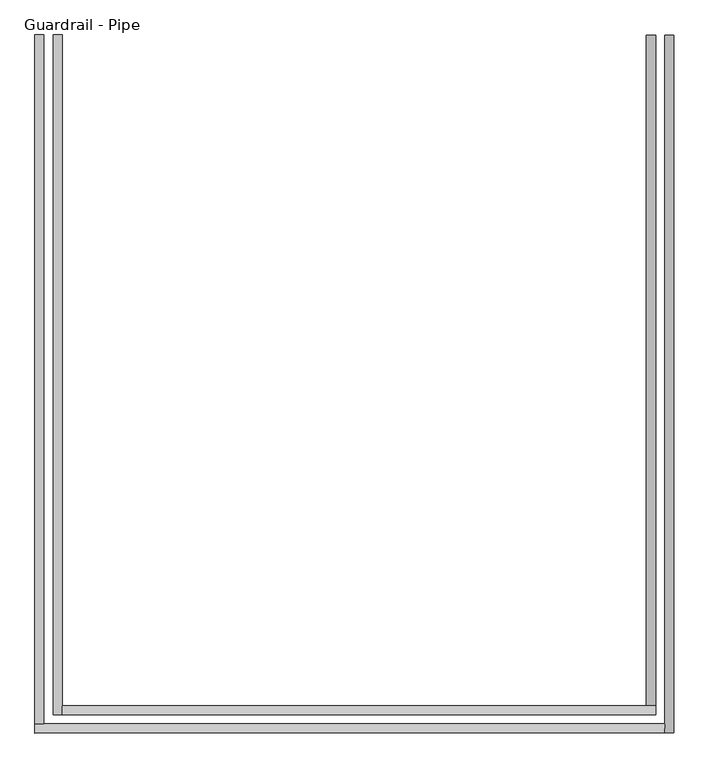
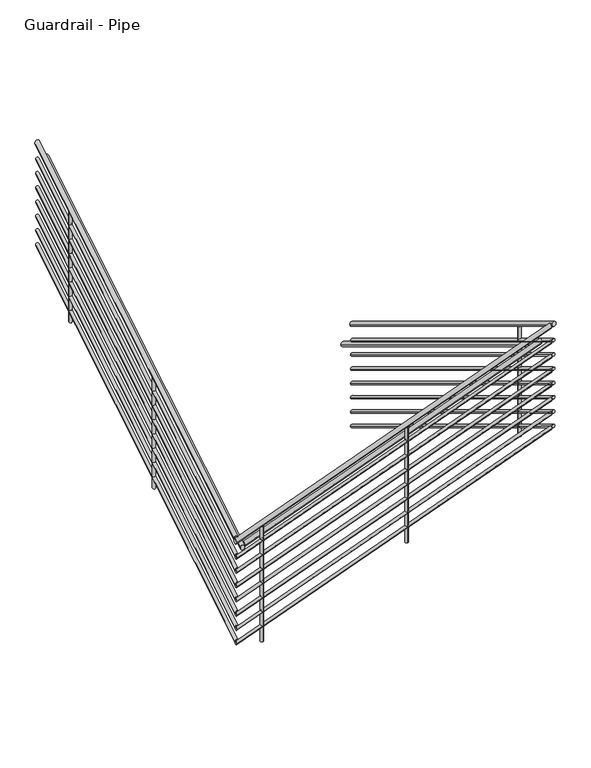
"""IFC4 building model written with IfcOpenShell, lengths in millimetres: railing geometry, Guardrail - Pipe."""

from ifc_helpers import new_model, si_unit, frame, origin, place, context, project, spatial, circle_curve, ellipse_curve, source, transform, mapped, element, save
from ifc_brep_helpers import plane_surface, cylinder_surface, advanced_brep


def guardrail_pipe_4b8cf3cc(model_context):
    return source(origin(), model_context, "Body", "AdvancedBrep", [
        advanced_brep(
        [(18432.5414619, 297.9226057, 1213.8577857), (18470.6414619, 297.9226057, 1213.8577857), (18432.5414619, -2642.1273943, 2995.7062706), (18470.6414619, -2642.1273943, 2995.7062706)],
        [
            (0, 1, ellipse_curve(frame((18451.5914619, 297.9226057, 1213.8577857), z_axis=(0.0, 1.0, 0.0), x_axis=(0.0, 0.0, -1.0)), 22.2755476, 19.05)),
            (1, 0, ellipse_curve(frame((18451.5914619, 297.9226057, 1213.8577857), z_axis=(0.0, 1.0, 0.0), x_axis=(0.0, 0.0, -1.0)), 22.2755476, 19.05)),
            (2, 3, ellipse_curve(frame((18451.5914619, -2642.1273943, 2995.7062706), z_axis=(0.0, -1.0, 0.0), x_axis=(0.0, 0.0, -1.0)), 22.2755476, 19.05)),
            (3, 2, ellipse_curve(frame((18451.5914619, -2642.1273943, 2995.7062706), z_axis=(0.0, -1.0, 0.0), x_axis=(0.0, 0.0, -1.0)), 22.2755476, 19.05)),
            (0, 2),
            (3, 1),
        ],
        [
            plane_surface(frame((18451.5914619, 297.9226057, 1236.1333333), z_axis=(0.0, 1.0, 0.0), x_axis=(0.0, 0.0, -1.0))),
            plane_surface(frame((18451.5914619, -2642.1273943, 3017.9818182), z_axis=(0.0, -1.0, 0.0), x_axis=(0.0, 0.0, -1.0))),
            cylinder_surface(frame((18451.5914619, 288.048958, 1219.8418146), z_axis=(0.0, 0.8551978315540538, -0.518301716093285), x_axis=(1.0, 0.0, 0.0)), 19.05),
        ],
        [
            (0, [[1, 2]]),
            (1, [[3, 4]]),
            (2, [[-1, 5, -4, 6]]),
            (2, [[-2, -6, -3, -5]]),
        ],
    ),
        advanced_brep(
        [(18432.5414619, -2604.0273943, 2973.0789657), (18432.5414619, -2642.1273943, 2973.0789657), (15780.4647518, -2604.0273943, 1984.3213288), (15780.4647518, -2642.1273943, 1984.3213288)],
        [
            (0, 1, ellipse_curve(frame((18432.5414619, -2623.0773943, 2973.0789657), z_axis=(1.0, 0.0, 0.0), x_axis=(0.0, 0.0, 1.0)), 20.3308904, 19.05)),
            (1, 0, ellipse_curve(frame((18432.5414619, -2623.0773943, 2973.0789657), z_axis=(1.0, 0.0, 0.0), x_axis=(0.0, 0.0, 1.0)), 20.3308904, 19.05)),
            (2, 3, ellipse_curve(frame((15780.4647518, -2623.0773943, 1984.3213288), z_axis=(-1.0, 0.0, 0.0), x_axis=(0.0, 0.0, 1.0)), 20.3308904, 19.05)),
            (3, 2, ellipse_curve(frame((15780.4647518, -2623.0773943, 1984.3213288), z_axis=(-1.0, 0.0, 0.0), x_axis=(0.0, 0.0, 1.0)), 20.3308904, 19.05)),
            (0, 2),
            (3, 1),
        ],
        [
            plane_surface(frame((18432.5414619, -2623.0773943, 2993.4098561), z_axis=(1.0, 0.0, 0.0), x_axis=(0.0, -1.0, 0.0))),
            plane_surface(frame((15780.4647518, -2623.0773943, 2004.6522192), z_axis=(-1.0, 0.0, 0.0), x_axis=(0.0, -1.0, 0.0))),
            cylinder_surface(frame((18439.1962975, -2623.0773943, 2975.5600476), z_axis=(0.9369978212740282, 0.0, 0.34933520138646845), x_axis=(0.0, -1.0, 0.0)), 19.05),
        ],
        [
            (0, [[1, 2]]),
            (1, [[3, 4]]),
            (2, [[-1, 5, -4, 6]]),
            (2, [[-2, -6, -3, -5]]),
        ],
    ),
        advanced_brep(
        [(15818.5647518, -2604.0273943, 1995.10021), (15780.4647518, -2604.0273943, 1995.10021), (15818.5647518, 297.9226057, 3753.8577857), (15780.4647518, 297.9226057, 3753.8577857)],
        [
            (0, 1, ellipse_curve(frame((15799.5147518, -2604.0273943, 1995.10021), z_axis=(0.0, -1.0, 0.0), x_axis=(0.0, 0.0, -1.0)), 22.2755476, 19.05)),
            (1, 0, ellipse_curve(frame((15799.5147518, -2604.0273943, 1995.10021), z_axis=(0.0, -1.0, 0.0), x_axis=(0.0, 0.0, -1.0)), 22.2755476, 19.05)),
            (2, 3, ellipse_curve(frame((15799.5147518, 297.9226057, 3753.8577857), z_axis=(0.0, 1.0, 0.0), x_axis=(0.0, 0.0, -1.0)), 22.2755476, 19.05)),
            (3, 2, ellipse_curve(frame((15799.5147518, 297.9226057, 3753.8577857), z_axis=(0.0, 1.0, 0.0), x_axis=(0.0, 0.0, -1.0)), 22.2755476, 19.05)),
            (0, 2),
            (3, 1),
        ],
        [
            plane_surface(frame((15799.5147518, -2604.0273943, 2017.3757576), z_axis=(0.0, -1.0, 0.0), x_axis=(0.0, 0.0, 1.0))),
            plane_surface(frame((15799.5147518, 297.9226057, 3776.1333333), z_axis=(0.0, 1.0, 0.0), x_axis=(0.0, 0.0, 1.0))),
            cylinder_surface(frame((15799.5147518, -2594.1537466, 2001.0842389), z_axis=(0.0, -0.8551978315540538, -0.518301716093285), x_axis=(-1.0, 0.0, 0.0)), 19.05),
        ],
        [
            (0, [[1, 2]]),
            (1, [[3, 4]]),
            (2, [[-1, 5, -4, 6]]),
            (2, [[-2, -6, -3, -5]]),
        ],
    ),
        advanced_brep(
        [(18438.8914619, 297.9226057, 1068.8829683), (18464.2914619, 297.9226057, 1068.8829683), (18438.8914619, -2635.7773943, 2846.8829683), (18464.2914619, -2635.7773943, 2846.8829683)],
        [
            (0, 1, ellipse_curve(frame((18451.5914619, 297.9226057, 1068.8829683), z_axis=(0.0, 1.0, 0.0), x_axis=(0.0, 0.0, -1.0)), 14.8503651, 12.7)),
            (1, 0, ellipse_curve(frame((18451.5914619, 297.9226057, 1068.8829683), z_axis=(0.0, 1.0, 0.0), x_axis=(0.0, 0.0, -1.0)), 14.8503651, 12.7)),
            (2, 3, ellipse_curve(frame((18451.5914619, -2635.7773943, 2846.8829683), z_axis=(0.0, -1.0, 0.0), x_axis=(0.0, 0.0, -1.0)), 14.8503651, 12.7)),
            (3, 2, ellipse_curve(frame((18451.5914619, -2635.7773943, 2846.8829683), z_axis=(0.0, -1.0, 0.0), x_axis=(0.0, 0.0, -1.0)), 14.8503651, 12.7)),
            (0, 2),
            (3, 1),
        ],
        [
            plane_surface(frame((18451.5914619, 297.9226057, 1083.7333333), z_axis=(0.0, 1.0, 0.0), x_axis=(0.0, 0.0, -1.0))),
            plane_surface(frame((18451.5914619, -2635.7773943, 2861.7333333), z_axis=(0.0, -1.0, 0.0), x_axis=(0.0, 0.0, -1.0))),
            cylinder_surface(frame((18451.5914619, 291.3401739, 1072.8723209), z_axis=(0.0, 0.8551978315540538, -0.518301716093285), x_axis=(1.0, 0.0, 0.0)), 12.7),
        ],
        [
            (0, [[1, 2]]),
            (1, [[3, 4]]),
            (2, [[-1, 5, -4, 6]]),
            (2, [[-2, -6, -3, -5]]),
        ],
    ),
        advanced_brep(
        [(18438.8914619, -2610.3773943, 2829.8233611), (18438.8914619, -2635.7773943, 2829.8233611), (15786.8147518, -2610.3773943, 1841.0657241), (15786.8147518, -2635.7773943, 1841.0657241)],
        [
            (0, 1, ellipse_curve(frame((18438.8914619, -2623.0773943, 2829.8233611), z_axis=(1.0, 0.0, 0.0), x_axis=(0.0, 0.0, 1.0)), 13.5539269, 12.7)),
            (1, 0, ellipse_curve(frame((18438.8914619, -2623.0773943, 2829.8233611), z_axis=(1.0, 0.0, 0.0), x_axis=(0.0, 0.0, 1.0)), 13.5539269, 12.7)),
            (2, 3, ellipse_curve(frame((15786.8147518, -2623.0773943, 1841.0657241), z_axis=(-1.0, 0.0, 0.0), x_axis=(0.0, 0.0, 1.0)), 13.5539269, 12.7)),
            (3, 2, ellipse_curve(frame((15786.8147518, -2623.0773943, 1841.0657241), z_axis=(-1.0, 0.0, 0.0), x_axis=(0.0, 0.0, 1.0)), 13.5539269, 12.7)),
            (0, 2),
            (3, 1),
        ],
        [
            plane_surface(frame((18438.8914619, -2623.0773943, 2843.377288), z_axis=(1.0, 0.0, 0.0), x_axis=(0.0, -1.0, 0.0))),
            plane_surface(frame((15786.8147518, -2623.0773943, 1854.619651), z_axis=(-1.0, 0.0, 0.0), x_axis=(0.0, -1.0, 0.0))),
            cylinder_surface(frame((18443.328019, -2623.0773943, 2831.4774157), z_axis=(0.9369978212740282, 0.0, 0.34933520138646845), x_axis=(0.0, -1.0, 0.0)), 12.7),
        ],
        [
            (0, [[1, 2]]),
            (1, [[3, 4]]),
            (2, [[-1, 5, -4, 6]]),
            (2, [[-2, -6, -3, -5]]),
        ],
    ),
        advanced_brep(
        [(15812.2147518, -2610.3773943, 1846.2769077), (15786.8147518, -2610.3773943, 1846.2769077), (15812.2147518, 297.9226057, 3608.8829683), (15786.8147518, 297.9226057, 3608.8829683)],
        [
            (0, 1, ellipse_curve(frame((15799.5147518, -2610.3773943, 1846.2769077), z_axis=(0.0, -1.0, 0.0), x_axis=(0.0, 0.0, -1.0)), 14.8503651, 12.7)),
            (1, 0, ellipse_curve(frame((15799.5147518, -2610.3773943, 1846.2769077), z_axis=(0.0, -1.0, 0.0), x_axis=(0.0, 0.0, -1.0)), 14.8503651, 12.7)),
            (2, 3, ellipse_curve(frame((15799.5147518, 297.9226057, 3608.8829683), z_axis=(0.0, 1.0, 0.0), x_axis=(0.0, 0.0, -1.0)), 14.8503651, 12.7)),
            (3, 2, ellipse_curve(frame((15799.5147518, 297.9226057, 3608.8829683), z_axis=(0.0, 1.0, 0.0), x_axis=(0.0, 0.0, -1.0)), 14.8503651, 12.7)),
            (0, 2),
            (3, 1),
        ],
        [
            plane_surface(frame((15799.5147518, -2610.3773943, 1861.1272727), z_axis=(0.0, -1.0, 0.0), x_axis=(0.0, 0.0, 1.0))),
            plane_surface(frame((15799.5147518, 297.9226057, 3623.7333333), z_axis=(0.0, 1.0, 0.0), x_axis=(0.0, 0.0, 1.0))),
            cylinder_surface(frame((15799.5147518, -2603.7949625, 1850.2662603), z_axis=(0.0, -0.8551978315540538, -0.518301716093285), x_axis=(-1.0, 0.0, 0.0)), 12.7),
        ],
        [
            (0, [[1, 2]]),
            (1, [[3, 4]]),
            (2, [[-1, 5, -4, 6]]),
            (2, [[-2, -6, -3, -5]]),
        ],
    ),
        advanced_brep(
        [(18356.3414619, 297.9226057, 1061.4577857), (18394.4414619, 297.9226057, 1061.4577857), (18356.3414619, -2527.8273943, 2774.0335433), (18394.4414619, -2527.8273943, 2774.0335433)],
        [
            (0, 1, ellipse_curve(frame((18375.3914619, 297.9226057, 1061.4577857), z_axis=(0.0, 1.0, 0.0), x_axis=(0.0, 0.0, -1.0)), 22.2755476, 19.05)),
            (1, 0, ellipse_curve(frame((18375.3914619, 297.9226057, 1061.4577857), z_axis=(0.0, 1.0, 0.0), x_axis=(0.0, 0.0, -1.0)), 22.2755476, 19.05)),
            (2, 3, ellipse_curve(frame((18375.3914619, -2527.8273943, 2774.0335433), z_axis=(0.0, -1.0, 0.0), x_axis=(0.0, 0.0, -1.0)), 22.2755476, 19.05)),
            (3, 2, ellipse_curve(frame((18375.3914619, -2527.8273943, 2774.0335433), z_axis=(0.0, -1.0, 0.0), x_axis=(0.0, 0.0, -1.0)), 22.2755476, 19.05)),
            (0, 2),
            (3, 1),
        ],
        [
            plane_surface(frame((18375.3914619, 297.9226057, 1083.7333333), z_axis=(0.0, 1.0, 0.0), x_axis=(0.0, 0.0, -1.0))),
            plane_surface(frame((18375.3914619, -2527.8273943, 2796.3090909), z_axis=(0.0, -1.0, 0.0), x_axis=(0.0, 0.0, -1.0))),
            cylinder_surface(frame((18375.3914619, 288.048958, 1067.4418146), z_axis=(0.0, 0.8551978315540539, -0.5183017160932847), x_axis=(1.0, 0.0, 0.0)), 19.05),
        ],
        [
            (0, [[1, 2]]),
            (1, [[3, 4]]),
            (2, [[-1, 5, -4, 6]]),
            (2, [[-2, -6, -3, -5]]),
        ],
    ),
        advanced_brep(
        [(18394.4414619, -2527.8273943, 2806.4743744), (18394.4414619, -2565.9273943, 2806.4743744), (15894.7647518, -2527.8273943, 1874.5351029), (15894.7647518, -2565.9273943, 1874.5351029)],
        [
            (0, 1, ellipse_curve(frame((18394.4414619, -2546.8773943, 2806.4743744), z_axis=(1.0, 0.0, 0.0), x_axis=(0.0, 0.0, 1.0)), 20.3308904, 19.05)),
            (1, 0, ellipse_curve(frame((18394.4414619, -2546.8773943, 2806.4743744), z_axis=(1.0, 0.0, 0.0), x_axis=(0.0, 0.0, 1.0)), 20.3308904, 19.05)),
            (2, 3, ellipse_curve(frame((15894.7647518, -2546.8773943, 1874.5351029), z_axis=(-1.0, 0.0, 0.0), x_axis=(0.0, 0.0, 1.0)), 20.3308904, 19.05)),
            (3, 2, ellipse_curve(frame((15894.7647518, -2546.8773943, 1874.5351029), z_axis=(-1.0, 0.0, 0.0), x_axis=(0.0, 0.0, 1.0)), 20.3308904, 19.05)),
            (0, 2),
            (3, 1),
        ],
        [
            plane_surface(frame((18394.4414619, -2546.8773943, 2826.8052648), z_axis=(1.0, 0.0, 0.0), x_axis=(0.0, -1.0, 0.0))),
            plane_surface(frame((15894.7647518, -2546.8773943, 1894.8659933), z_axis=(-1.0, 0.0, 0.0), x_axis=(0.0, -1.0, 0.0))),
            cylinder_surface(frame((18401.0962975, -2546.8773943, 2808.9554563), z_axis=(0.9369978212740282, 0.0, 0.34933520138646845), x_axis=(0.0, -1.0, 0.0)), 19.05),
        ],
        [
            (0, [[1, 2]]),
            (1, [[3, 4]]),
            (2, [[-1, 5, -4, 6]]),
            (2, [[-2, -6, -3, -5]]),
        ],
    ),
        advanced_brep(
        [(15894.7647518, -2565.9273943, 1865.7911191), (15856.6647518, -2565.9273943, 1865.7911191), (15894.7647518, 297.9226057, 3601.4577857), (15856.6647518, 297.9226057, 3601.4577857)],
        [
            (0, 1, ellipse_curve(frame((15875.7147518, -2565.9273943, 1865.7911191), z_axis=(0.0, -1.0, 0.0), x_axis=(0.0, 0.0, -1.0)), 22.2755476, 19.05)),
            (1, 0, ellipse_curve(frame((15875.7147518, -2565.9273943, 1865.7911191), z_axis=(0.0, -1.0, 0.0), x_axis=(0.0, 0.0, -1.0)), 22.2755476, 19.05)),
            (2, 3, ellipse_curve(frame((15875.7147518, 297.9226057, 3601.4577857), z_axis=(0.0, 1.0, 0.0), x_axis=(0.0, 0.0, -1.0)), 22.2755476, 19.05)),
            (3, 2, ellipse_curve(frame((15875.7147518, 297.9226057, 3601.4577857), z_axis=(0.0, 1.0, 0.0), x_axis=(0.0, 0.0, -1.0)), 22.2755476, 19.05)),
            (0, 2),
            (3, 1),
        ],
        [
            plane_surface(frame((15875.7147518, -2565.9273943, 1888.0666667), z_axis=(0.0, -1.0, 0.0), x_axis=(0.0, 0.0, 1.0))),
            plane_surface(frame((15875.7147518, 297.9226057, 3623.7333333), z_axis=(0.0, 1.0, 0.0), x_axis=(0.0, 0.0, 1.0))),
            cylinder_surface(frame((15875.7147518, -2556.0537466, 1871.775148), z_axis=(0.0, -0.8551978315540538, -0.518301716093285), x_axis=(-1.0, 0.0, 0.0)), 19.05),
        ],
        [
            (0, [[1, 2]]),
            (1, [[3, 4]]),
            (2, [[-1, 5, -4, 6]]),
            (2, [[-2, -6, -3, -5]]),
        ],
    ),
        advanced_brep(
        [(18438.8914619, 297.9226057, 941.8829683), (18464.2914619, 297.9226057, 941.8829683), (18438.8914619, -2635.7773943, 2719.8829683), (18464.2914619, -2635.7773943, 2719.8829683)],
        [
            (0, 1, ellipse_curve(frame((18451.5914619, 297.9226057, 941.8829683), z_axis=(0.0, 1.0, 0.0), x_axis=(0.0, 0.0, -1.0)), 14.8503651, 12.7)),
            (1, 0, ellipse_curve(frame((18451.5914619, 297.9226057, 941.8829683), z_axis=(0.0, 1.0, 0.0), x_axis=(0.0, 0.0, -1.0)), 14.8503651, 12.7)),
            (2, 3, ellipse_curve(frame((18451.5914619, -2635.7773943, 2719.8829683), z_axis=(0.0, -1.0, 0.0), x_axis=(0.0, 0.0, -1.0)), 14.8503651, 12.7)),
            (3, 2, ellipse_curve(frame((18451.5914619, -2635.7773943, 2719.8829683), z_axis=(0.0, -1.0, 0.0), x_axis=(0.0, 0.0, -1.0)), 14.8503651, 12.7)),
            (0, 2),
            (3, 1),
        ],
        [
            plane_surface(frame((18451.5914619, 297.9226057, 956.7333333), z_axis=(0.0, 1.0, 0.0), x_axis=(0.0, 0.0, -1.0))),
            plane_surface(frame((18451.5914619, -2635.7773943, 2734.7333333), z_axis=(0.0, -1.0, 0.0), x_axis=(0.0, 0.0, -1.0))),
            cylinder_surface(frame((18451.5914619, 291.3401739, 945.8723209), z_axis=(0.0, 0.8551978315540539, -0.5183017160932849), x_axis=(1.0, 0.0, 0.0)), 12.7),
        ],
        [
            (0, [[1, 2]]),
            (1, [[3, 4]]),
            (2, [[-1, 5, -4, 6]]),
            (2, [[-2, -6, -3, -5]]),
        ],
    ),
        advanced_brep(
        [(18438.8914619, -2610.3773943, 2702.8233611), (18438.8914619, -2635.7773943, 2702.8233611), (15786.8147518, -2610.3773943, 1714.0657241), (15786.8147518, -2635.7773943, 1714.0657241)],
        [
            (0, 1, ellipse_curve(frame((18438.8914619, -2623.0773943, 2702.8233611), z_axis=(1.0, 0.0, 0.0), x_axis=(0.0, 0.0, 1.0)), 13.5539269, 12.7)),
            (1, 0, ellipse_curve(frame((18438.8914619, -2623.0773943, 2702.8233611), z_axis=(1.0, 0.0, 0.0), x_axis=(0.0, 0.0, 1.0)), 13.5539269, 12.7)),
            (2, 3, ellipse_curve(frame((15786.8147518, -2623.0773943, 1714.0657241), z_axis=(-1.0, 0.0, 0.0), x_axis=(0.0, 0.0, 1.0)), 13.5539269, 12.7)),
            (3, 2, ellipse_curve(frame((15786.8147518, -2623.0773943, 1714.0657241), z_axis=(-1.0, 0.0, 0.0), x_axis=(0.0, 0.0, 1.0)), 13.5539269, 12.7)),
            (0, 2),
            (3, 1),
        ],
        [
            plane_surface(frame((18438.8914619, -2623.0773943, 2716.377288), z_axis=(1.0, 0.0, 0.0), x_axis=(0.0, -1.0, 0.0))),
            plane_surface(frame((15786.8147518, -2623.0773943, 1727.619651), z_axis=(-1.0, 0.0, 0.0), x_axis=(0.0, -1.0, 0.0))),
            cylinder_surface(frame((18443.328019, -2623.0773943, 2704.4774157), z_axis=(0.9369978212740282, 0.0, 0.34933520138646845), x_axis=(0.0, -1.0, 0.0)), 12.7),
        ],
        [
            (0, [[1, 2]]),
            (1, [[3, 4]]),
            (2, [[-1, 5, -4, 6]]),
            (2, [[-2, -6, -3, -5]]),
        ],
    ),
        advanced_brep(
        [(15812.2147518, -2610.3773943, 1719.2769077), (15786.8147518, -2610.3773943, 1719.2769077), (15812.2147518, 297.9226057, 3481.8829683), (15786.8147518, 297.9226057, 3481.8829683)],
        [
            (0, 1, ellipse_curve(frame((15799.5147518, -2610.3773943, 1719.2769077), z_axis=(0.0, -1.0, 0.0), x_axis=(0.0, 0.0, -1.0)), 14.8503651, 12.7)),
            (1, 0, ellipse_curve(frame((15799.5147518, -2610.3773943, 1719.2769077), z_axis=(0.0, -1.0, 0.0), x_axis=(0.0, 0.0, -1.0)), 14.8503651, 12.7)),
            (2, 3, ellipse_curve(frame((15799.5147518, 297.9226057, 3481.8829683), z_axis=(0.0, 1.0, 0.0), x_axis=(0.0, 0.0, -1.0)), 14.8503651, 12.7)),
            (3, 2, ellipse_curve(frame((15799.5147518, 297.9226057, 3481.8829683), z_axis=(0.0, 1.0, 0.0), x_axis=(0.0, 0.0, -1.0)), 14.8503651, 12.7)),
            (0, 2),
            (3, 1),
        ],
        [
            plane_surface(frame((15799.5147518, -2610.3773943, 1734.1272727), z_axis=(0.0, -1.0, 0.0), x_axis=(0.0, 0.0, 1.0))),
            plane_surface(frame((15799.5147518, 297.9226057, 3496.7333333), z_axis=(0.0, 1.0, 0.0), x_axis=(0.0, 0.0, 1.0))),
            cylinder_surface(frame((15799.5147518, -2603.7949625, 1723.2662603), z_axis=(0.0, -0.8551978315540538, -0.5183017160932851), x_axis=(-1.0, 0.0, 0.0)), 12.7),
        ],
        [
            (0, [[1, 2]]),
            (1, [[3, 4]]),
            (2, [[-1, 5, -4, 6]]),
            (2, [[-2, -6, -3, -5]]),
        ],
    ),
        advanced_brep(
        [(18438.8914619, 297.9226057, 814.8829683), (18464.2914619, 297.9226057, 814.8829683), (18438.8914619, -2635.7773943, 2592.8829683), (18464.2914619, -2635.7773943, 2592.8829683)],
        [
            (0, 1, ellipse_curve(frame((18451.5914619, 297.9226057, 814.8829683), z_axis=(0.0, 1.0, 0.0), x_axis=(0.0, 0.0, -1.0)), 14.8503651, 12.7)),
            (1, 0, ellipse_curve(frame((18451.5914619, 297.9226057, 814.8829683), z_axis=(0.0, 1.0, 0.0), x_axis=(0.0, 0.0, -1.0)), 14.8503651, 12.7)),
            (2, 3, ellipse_curve(frame((18451.5914619, -2635.7773943, 2592.8829683), z_axis=(0.0, -1.0, 0.0), x_axis=(0.0, 0.0, -1.0)), 14.8503651, 12.7)),
            (3, 2, ellipse_curve(frame((18451.5914619, -2635.7773943, 2592.8829683), z_axis=(0.0, -1.0, 0.0), x_axis=(0.0, 0.0, -1.0)), 14.8503651, 12.7)),
            (0, 2),
            (3, 1),
        ],
        [
            plane_surface(frame((18451.5914619, 297.9226057, 829.7333333), z_axis=(0.0, 1.0, 0.0), x_axis=(0.0, 0.0, -1.0))),
            plane_surface(frame((18451.5914619, -2635.7773943, 2607.7333333), z_axis=(0.0, -1.0, 0.0), x_axis=(0.0, 0.0, -1.0))),
            cylinder_surface(frame((18451.5914619, 291.3401739, 818.8723209), z_axis=(0.0, 0.8551978315540539, -0.5183017160932848), x_axis=(1.0, 0.0, 0.0)), 12.7),
        ],
        [
            (0, [[1, 2]]),
            (1, [[3, 4]]),
            (2, [[-1, 5, -4, 6]]),
            (2, [[-2, -6, -3, -5]]),
        ],
    ),
        advanced_brep(
        [(18438.8914619, -2610.3773943, 2575.8233611), (18438.8914619, -2635.7773943, 2575.8233611), (15786.8147518, -2610.3773943, 1587.0657241), (15786.8147518, -2635.7773943, 1587.0657241)],
        [
            (0, 1, ellipse_curve(frame((18438.8914619, -2623.0773943, 2575.8233611), z_axis=(1.0, 0.0, 0.0), x_axis=(0.0, 0.0, 1.0)), 13.5539269, 12.7)),
            (1, 0, ellipse_curve(frame((18438.8914619, -2623.0773943, 2575.8233611), z_axis=(1.0, 0.0, 0.0), x_axis=(0.0, 0.0, 1.0)), 13.5539269, 12.7)),
            (2, 3, ellipse_curve(frame((15786.8147518, -2623.0773943, 1587.0657241), z_axis=(-1.0, 0.0, 0.0), x_axis=(0.0, 0.0, 1.0)), 13.5539269, 12.7)),
            (3, 2, ellipse_curve(frame((15786.8147518, -2623.0773943, 1587.0657241), z_axis=(-1.0, 0.0, 0.0), x_axis=(0.0, 0.0, 1.0)), 13.5539269, 12.7)),
            (0, 2),
            (3, 1),
        ],
        [
            plane_surface(frame((18438.8914619, -2623.0773943, 2589.377288), z_axis=(1.0, 0.0, 0.0), x_axis=(0.0, -1.0, 0.0))),
            plane_surface(frame((15786.8147518, -2623.0773943, 1600.619651), z_axis=(-1.0, 0.0, 0.0), x_axis=(0.0, -1.0, 0.0))),
            cylinder_surface(frame((18443.328019, -2623.0773943, 2577.4774157), z_axis=(0.9369978212740282, 0.0, 0.34933520138646845), x_axis=(0.0, -1.0, 0.0)), 12.7),
        ],
        [
            (0, [[1, 2]]),
            (1, [[3, 4]]),
            (2, [[-1, 5, -4, 6]]),
            (2, [[-2, -6, -3, -5]]),
        ],
    ),
        advanced_brep(
        [(15812.2147518, -2610.3773943, 1592.2769077), (15786.8147518, -2610.3773943, 1592.2769077), (15812.2147518, 297.9226057, 3354.8829683), (15786.8147518, 297.9226057, 3354.8829683)],
        [
            (0, 1, ellipse_curve(frame((15799.5147518, -2610.3773943, 1592.2769077), z_axis=(0.0, -1.0, 0.0), x_axis=(0.0, 0.0, -1.0)), 14.8503651, 12.7)),
            (1, 0, ellipse_curve(frame((15799.5147518, -2610.3773943, 1592.2769077), z_axis=(0.0, -1.0, 0.0), x_axis=(0.0, 0.0, -1.0)), 14.8503651, 12.7)),
            (2, 3, ellipse_curve(frame((15799.5147518, 297.9226057, 3354.8829683), z_axis=(0.0, 1.0, 0.0), x_axis=(0.0, 0.0, -1.0)), 14.8503651, 12.7)),
            (3, 2, ellipse_curve(frame((15799.5147518, 297.9226057, 3354.8829683), z_axis=(0.0, 1.0, 0.0), x_axis=(0.0, 0.0, -1.0)), 14.8503651, 12.7)),
            (0, 2),
            (3, 1),
        ],
        [
            plane_surface(frame((15799.5147518, -2610.3773943, 1607.1272727), z_axis=(0.0, -1.0, 0.0), x_axis=(0.0, 0.0, 1.0))),
            plane_surface(frame((15799.5147518, 297.9226057, 3369.7333333), z_axis=(0.0, 1.0, 0.0), x_axis=(0.0, 0.0, 1.0))),
            cylinder_surface(frame((15799.5147518, -2603.7949625, 1596.2662603), z_axis=(0.0, -0.8551978315540538, -0.518301716093285), x_axis=(-1.0, 0.0, 0.0)), 12.7),
        ],
        [
            (0, [[1, 2]]),
            (1, [[3, 4]]),
            (2, [[-1, 5, -4, 6]]),
            (2, [[-2, -6, -3, -5]]),
        ],
    ),
        advanced_brep(
        [(18438.8914619, 297.9226057, 687.8829683), (18464.2914619, 297.9226057, 687.8829683), (18438.8914619, -2635.7773943, 2465.8829683), (18464.2914619, -2635.7773943, 2465.8829683)],
        [
            (0, 1, ellipse_curve(frame((18451.5914619, 297.9226057, 687.8829683), z_axis=(0.0, 1.0, 0.0), x_axis=(0.0, 0.0, -1.0)), 14.8503651, 12.7)),
            (1, 0, ellipse_curve(frame((18451.5914619, 297.9226057, 687.8829683), z_axis=(0.0, 1.0, 0.0), x_axis=(0.0, 0.0, -1.0)), 14.8503651, 12.7)),
            (2, 3, ellipse_curve(frame((18451.5914619, -2635.7773943, 2465.8829683), z_axis=(0.0, -1.0, 0.0), x_axis=(0.0, 0.0, -1.0)), 14.8503651, 12.7)),
            (3, 2, ellipse_curve(frame((18451.5914619, -2635.7773943, 2465.8829683), z_axis=(0.0, -1.0, 0.0), x_axis=(0.0, 0.0, -1.0)), 14.8503651, 12.7)),
            (0, 2),
            (3, 1),
        ],
        [
            plane_surface(frame((18451.5914619, 297.9226057, 702.7333333), z_axis=(0.0, 1.0, 0.0), x_axis=(0.0, 0.0, -1.0))),
            plane_surface(frame((18451.5914619, -2635.7773943, 2480.7333333), z_axis=(0.0, -1.0, 0.0), x_axis=(0.0, 0.0, -1.0))),
            cylinder_surface(frame((18451.5914619, 291.3401739, 691.8723209), z_axis=(0.0, 0.8551978315540538, -0.518301716093285), x_axis=(1.0, 0.0, 0.0)), 12.7),
        ],
        [
            (0, [[1, 2]]),
            (1, [[3, 4]]),
            (2, [[-1, 5, -4, 6]]),
            (2, [[-2, -6, -3, -5]]),
        ],
    ),
        advanced_brep(
        [(18438.8914619, -2610.3773943, 2448.8233611), (18438.8914619, -2635.7773943, 2448.8233611), (15786.8147518, -2610.3773943, 1460.0657241), (15786.8147518, -2635.7773943, 1460.0657241)],
        [
            (0, 1, ellipse_curve(frame((18438.8914619, -2623.0773943, 2448.8233611), z_axis=(1.0, 0.0, 0.0), x_axis=(0.0, 0.0, 1.0)), 13.5539269, 12.7)),
            (1, 0, ellipse_curve(frame((18438.8914619, -2623.0773943, 2448.8233611), z_axis=(1.0, 0.0, 0.0), x_axis=(0.0, 0.0, 1.0)), 13.5539269, 12.7)),
            (2, 3, ellipse_curve(frame((15786.8147518, -2623.0773943, 1460.0657241), z_axis=(-1.0, 0.0, 0.0), x_axis=(0.0, 0.0, 1.0)), 13.5539269, 12.7)),
            (3, 2, ellipse_curve(frame((15786.8147518, -2623.0773943, 1460.0657241), z_axis=(-1.0, 0.0, 0.0), x_axis=(0.0, 0.0, 1.0)), 13.5539269, 12.7)),
            (0, 2),
            (3, 1),
        ],
        [
            plane_surface(frame((18438.8914619, -2623.0773943, 2462.377288), z_axis=(1.0, 0.0, 0.0), x_axis=(0.0, -1.0, 0.0))),
            plane_surface(frame((15786.8147518, -2623.0773943, 1473.619651), z_axis=(-1.0, 0.0, 0.0), x_axis=(0.0, -1.0, 0.0))),
            cylinder_surface(frame((18443.328019, -2623.0773943, 2450.4774157), z_axis=(0.9369978212740282, 0.0, 0.34933520138646845), x_axis=(0.0, -1.0, 0.0)), 12.7),
        ],
        [
            (0, [[1, 2]]),
            (1, [[3, 4]]),
            (2, [[-1, 5, -4, 6]]),
            (2, [[-2, -6, -3, -5]]),
        ],
    ),
        advanced_brep(
        [(15812.2147518, -2610.3773943, 1465.2769077), (15786.8147518, -2610.3773943, 1465.2769077), (15812.2147518, 297.9226057, 3227.8829683), (15786.8147518, 297.9226057, 3227.8829683)],
        [
            (0, 1, ellipse_curve(frame((15799.5147518, -2610.3773943, 1465.2769077), z_axis=(0.0, -1.0, 0.0), x_axis=(0.0, 0.0, -1.0)), 14.8503651, 12.7)),
            (1, 0, ellipse_curve(frame((15799.5147518, -2610.3773943, 1465.2769077), z_axis=(0.0, -1.0, 0.0), x_axis=(0.0, 0.0, -1.0)), 14.8503651, 12.7)),
            (2, 3, ellipse_curve(frame((15799.5147518, 297.9226057, 3227.8829683), z_axis=(0.0, 1.0, 0.0), x_axis=(0.0, 0.0, -1.0)), 14.8503651, 12.7)),
            (3, 2, ellipse_curve(frame((15799.5147518, 297.9226057, 3227.8829683), z_axis=(0.0, 1.0, 0.0), x_axis=(0.0, 0.0, -1.0)), 14.8503651, 12.7)),
            (0, 2),
            (3, 1),
        ],
        [
            plane_surface(frame((15799.5147518, -2610.3773943, 1480.1272727), z_axis=(0.0, -1.0, 0.0), x_axis=(0.0, 0.0, 1.0))),
            plane_surface(frame((15799.5147518, 297.9226057, 3242.7333333), z_axis=(0.0, 1.0, 0.0), x_axis=(0.0, 0.0, 1.0))),
            cylinder_surface(frame((15799.5147518, -2603.7949625, 1469.2662603), z_axis=(0.0, -0.8551978315540538, -0.518301716093285), x_axis=(-1.0, 0.0, 0.0)), 12.7),
        ],
        [
            (0, [[1, 2]]),
            (1, [[3, 4]]),
            (2, [[-1, 5, -4, 6]]),
            (2, [[-2, -6, -3, -5]]),
        ],
    ),
        advanced_brep(
        [(18438.8914619, 297.9226057, 560.8829683), (18464.2914619, 297.9226057, 560.8829683), (18438.8914619, -2635.7773943, 2338.8829683), (18464.2914619, -2635.7773943, 2338.8829683)],
        [
            (0, 1, ellipse_curve(frame((18451.5914619, 297.9226057, 560.8829683), z_axis=(0.0, 1.0, 0.0), x_axis=(0.0, 0.0, -1.0)), 14.8503651, 12.7)),
            (1, 0, ellipse_curve(frame((18451.5914619, 297.9226057, 560.8829683), z_axis=(0.0, 1.0, 0.0), x_axis=(0.0, 0.0, -1.0)), 14.8503651, 12.7)),
            (2, 3, ellipse_curve(frame((18451.5914619, -2635.7773943, 2338.8829683), z_axis=(0.0, -1.0, 0.0), x_axis=(0.0, 0.0, -1.0)), 14.8503651, 12.7)),
            (3, 2, ellipse_curve(frame((18451.5914619, -2635.7773943, 2338.8829683), z_axis=(0.0, -1.0, 0.0), x_axis=(0.0, 0.0, -1.0)), 14.8503651, 12.7)),
            (0, 2),
            (3, 1),
        ],
        [
            plane_surface(frame((18451.5914619, 297.9226057, 575.7333333), z_axis=(0.0, 1.0, 0.0), x_axis=(0.0, 0.0, -1.0))),
            plane_surface(frame((18451.5914619, -2635.7773943, 2353.7333333), z_axis=(0.0, -1.0, 0.0), x_axis=(0.0, 0.0, -1.0))),
            cylinder_surface(frame((18451.5914619, 291.3401739, 564.8723209), z_axis=(0.0, 0.8551978315540539, -0.5183017160932849), x_axis=(1.0, 0.0, 0.0)), 12.7),
        ],
        [
            (0, [[1, 2]]),
            (1, [[3, 4]]),
            (2, [[-1, 5, -4, 6]]),
            (2, [[-2, -6, -3, -5]]),
        ],
    ),
        advanced_brep(
        [(18438.8914619, -2610.3773943, 2321.8233611), (18438.8914619, -2635.7773943, 2321.8233611), (15786.8147518, -2610.3773943, 1333.0657241), (15786.8147518, -2635.7773943, 1333.0657241)],
        [
            (0, 1, ellipse_curve(frame((18438.8914619, -2623.0773943, 2321.8233611), z_axis=(1.0, 0.0, 0.0), x_axis=(0.0, 0.0, 1.0)), 13.5539269, 12.7)),
            (1, 0, ellipse_curve(frame((18438.8914619, -2623.0773943, 2321.8233611), z_axis=(1.0, 0.0, 0.0), x_axis=(0.0, 0.0, 1.0)), 13.5539269, 12.7)),
            (2, 3, ellipse_curve(frame((15786.8147518, -2623.0773943, 1333.0657241), z_axis=(-1.0, 0.0, 0.0), x_axis=(0.0, 0.0, 1.0)), 13.5539269, 12.7)),
            (3, 2, ellipse_curve(frame((15786.8147518, -2623.0773943, 1333.0657241), z_axis=(-1.0, 0.0, 0.0), x_axis=(0.0, 0.0, 1.0)), 13.5539269, 12.7)),
            (0, 2),
            (3, 1),
        ],
        [
            plane_surface(frame((18438.8914619, -2623.0773943, 2335.377288), z_axis=(1.0, 0.0, 0.0), x_axis=(0.0, -1.0, 0.0))),
            plane_surface(frame((15786.8147518, -2623.0773943, 1346.619651), z_axis=(-1.0, 0.0, 0.0), x_axis=(0.0, -1.0, 0.0))),
            cylinder_surface(frame((18443.328019, -2623.0773943, 2323.4774157), z_axis=(0.9369978212740282, 0.0, 0.34933520138646845), x_axis=(0.0, -1.0, 0.0)), 12.7),
        ],
        [
            (0, [[1, 2]]),
            (1, [[3, 4]]),
            (2, [[-1, 5, -4, 6]]),
            (2, [[-2, -6, -3, -5]]),
        ],
    ),
        advanced_brep(
        [(15812.2147518, -2610.3773943, 1338.2769077), (15786.8147518, -2610.3773943, 1338.2769077), (15812.2147518, 297.9226057, 3100.8829683), (15786.8147518, 297.9226057, 3100.8829683)],
        [
            (0, 1, ellipse_curve(frame((15799.5147518, -2610.3773943, 1338.2769077), z_axis=(0.0, -1.0, 0.0), x_axis=(0.0, 0.0, -1.0)), 14.8503651, 12.7)),
            (1, 0, ellipse_curve(frame((15799.5147518, -2610.3773943, 1338.2769077), z_axis=(0.0, -1.0, 0.0), x_axis=(0.0, 0.0, -1.0)), 14.8503651, 12.7)),
            (2, 3, ellipse_curve(frame((15799.5147518, 297.9226057, 3100.8829683), z_axis=(0.0, 1.0, 0.0), x_axis=(0.0, 0.0, -1.0)), 14.8503651, 12.7)),
            (3, 2, ellipse_curve(frame((15799.5147518, 297.9226057, 3100.8829683), z_axis=(0.0, 1.0, 0.0), x_axis=(0.0, 0.0, -1.0)), 14.8503651, 12.7)),
            (0, 2),
            (3, 1),
        ],
        [
            plane_surface(frame((15799.5147518, -2610.3773943, 1353.1272727), z_axis=(0.0, -1.0, 0.0), x_axis=(0.0, 0.0, 1.0))),
            plane_surface(frame((15799.5147518, 297.9226057, 3115.7333333), z_axis=(0.0, 1.0, 0.0), x_axis=(0.0, 0.0, 1.0))),
            cylinder_surface(frame((15799.5147518, -2603.7949625, 1342.2662603), z_axis=(0.0, -0.8551978315540538, -0.518301716093285), x_axis=(-1.0, 0.0, 0.0)), 12.7),
        ],
        [
            (0, [[1, 2]]),
            (1, [[3, 4]]),
            (2, [[-1, 5, -4, 6]]),
            (2, [[-2, -6, -3, -5]]),
        ],
    ),
        advanced_brep(
        [(18438.8914619, 297.9226057, 433.8829683), (18464.2914619, 297.9226057, 433.8829683), (18438.8914619, -2635.7773943, 2211.8829683), (18464.2914619, -2635.7773943, 2211.8829683)],
        [
            (0, 1, ellipse_curve(frame((18451.5914619, 297.9226057, 433.8829683), z_axis=(0.0, 1.0, 0.0), x_axis=(0.0, 0.0, -1.0)), 14.8503651, 12.7)),
            (1, 0, ellipse_curve(frame((18451.5914619, 297.9226057, 433.8829683), z_axis=(0.0, 1.0, 0.0), x_axis=(0.0, 0.0, -1.0)), 14.8503651, 12.7)),
            (2, 3, ellipse_curve(frame((18451.5914619, -2635.7773943, 2211.8829683), z_axis=(0.0, -1.0, 0.0), x_axis=(0.0, 0.0, -1.0)), 14.8503651, 12.7)),
            (3, 2, ellipse_curve(frame((18451.5914619, -2635.7773943, 2211.8829683), z_axis=(0.0, -1.0, 0.0), x_axis=(0.0, 0.0, -1.0)), 14.8503651, 12.7)),
            (0, 2),
            (3, 1),
        ],
        [
            plane_surface(frame((18451.5914619, 297.9226057, 448.7333333), z_axis=(0.0, 1.0, 0.0), x_axis=(0.0, 0.0, -1.0))),
            plane_surface(frame((18451.5914619, -2635.7773943, 2226.7333333), z_axis=(0.0, -1.0, 0.0), x_axis=(0.0, 0.0, -1.0))),
            cylinder_surface(frame((18451.5914619, 291.3401739, 437.8723209), z_axis=(0.0, 0.8551978315540539, -0.518301716093285), x_axis=(1.0, 0.0, 0.0)), 12.7),
        ],
        [
            (0, [[1, 2]]),
            (1, [[3, 4]]),
            (2, [[-1, 5, -4, 6]]),
            (2, [[-2, -6, -3, -5]]),
        ],
    ),
        advanced_brep(
        [(18438.8914619, -2610.3773943, 2194.8233611), (18438.8914619, -2635.7773943, 2194.8233611), (15786.8147518, -2610.3773943, 1206.0657241), (15786.8147518, -2635.7773943, 1206.0657241)],
        [
            (0, 1, ellipse_curve(frame((18438.8914619, -2623.0773943, 2194.8233611), z_axis=(1.0, 0.0, 0.0), x_axis=(0.0, 0.0, 1.0)), 13.5539269, 12.7)),
            (1, 0, ellipse_curve(frame((18438.8914619, -2623.0773943, 2194.8233611), z_axis=(1.0, 0.0, 0.0), x_axis=(0.0, 0.0, 1.0)), 13.5539269, 12.7)),
            (2, 3, ellipse_curve(frame((15786.8147518, -2623.0773943, 1206.0657241), z_axis=(-1.0, 0.0, 0.0), x_axis=(0.0, 0.0, 1.0)), 13.5539269, 12.7)),
            (3, 2, ellipse_curve(frame((15786.8147518, -2623.0773943, 1206.0657241), z_axis=(-1.0, 0.0, 0.0), x_axis=(0.0, 0.0, 1.0)), 13.5539269, 12.7)),
            (0, 2),
            (3, 1),
        ],
        [
            plane_surface(frame((18438.8914619, -2623.0773943, 2208.377288), z_axis=(1.0, 0.0, 0.0), x_axis=(0.0, -1.0, 0.0))),
            plane_surface(frame((15786.8147518, -2623.0773943, 1219.619651), z_axis=(-1.0, 0.0, 0.0), x_axis=(0.0, -1.0, 0.0))),
            cylinder_surface(frame((18443.328019, -2623.0773943, 2196.4774157), z_axis=(0.9369978212740282, 0.0, 0.34933520138646845), x_axis=(0.0, -1.0, 0.0)), 12.7),
        ],
        [
            (0, [[1, 2]]),
            (1, [[3, 4]]),
            (2, [[-1, 5, -4, 6]]),
            (2, [[-2, -6, -3, -5]]),
        ],
    ),
        advanced_brep(
        [(15812.2147518, -2610.3773943, 1211.2769077), (15786.8147518, -2610.3773943, 1211.2769077), (15812.2147518, 297.9226057, 2973.8829683), (15786.8147518, 297.9226057, 2973.8829683)],
        [
            (0, 1, ellipse_curve(frame((15799.5147518, -2610.3773943, 1211.2769077), z_axis=(0.0, -1.0, 0.0), x_axis=(0.0, 0.0, -1.0)), 14.8503651, 12.7)),
            (1, 0, ellipse_curve(frame((15799.5147518, -2610.3773943, 1211.2769077), z_axis=(0.0, -1.0, 0.0), x_axis=(0.0, 0.0, -1.0)), 14.8503651, 12.7)),
            (2, 3, ellipse_curve(frame((15799.5147518, 297.9226057, 2973.8829683), z_axis=(0.0, 1.0, 0.0), x_axis=(0.0, 0.0, -1.0)), 14.8503651, 12.7)),
            (3, 2, ellipse_curve(frame((15799.5147518, 297.9226057, 2973.8829683), z_axis=(0.0, 1.0, 0.0), x_axis=(0.0, 0.0, -1.0)), 14.8503651, 12.7)),
            (0, 2),
            (3, 1),
        ],
        [
            plane_surface(frame((15799.5147518, -2610.3773943, 1226.1272727), z_axis=(0.0, -1.0, 0.0), x_axis=(0.0, 0.0, 1.0))),
            plane_surface(frame((15799.5147518, 297.9226057, 2988.7333333), z_axis=(0.0, 1.0, 0.0), x_axis=(0.0, 0.0, 1.0))),
            cylinder_surface(frame((15799.5147518, -2603.7949625, 1215.2662603), z_axis=(0.0, -0.8551978315540538, -0.518301716093285), x_axis=(-1.0, 0.0, 0.0)), 12.7),
        ],
        [
            (0, [[1, 2]]),
            (1, [[3, 4]]),
            (2, [[-1, 5, -4, 6]]),
            (2, [[-2, -6, -3, -5]]),
        ],
    ),
        advanced_brep(
        [(18438.8914619, 297.9226057, 306.8829683), (18464.2914619, 297.9226057, 306.8829683), (18438.8914619, -2635.7773943, 2084.8829683), (18464.2914619, -2635.7773943, 2084.8829683)],
        [
            (0, 1, ellipse_curve(frame((18451.5914619, 297.9226057, 306.8829683), z_axis=(0.0, 1.0, 0.0), x_axis=(0.0, 0.0, -1.0)), 14.8503651, 12.7)),
            (1, 0, ellipse_curve(frame((18451.5914619, 297.9226057, 306.8829683), z_axis=(0.0, 1.0, 0.0), x_axis=(0.0, 0.0, -1.0)), 14.8503651, 12.7)),
            (2, 3, ellipse_curve(frame((18451.5914619, -2635.7773943, 2084.8829683), z_axis=(0.0, -1.0, 0.0), x_axis=(0.0, 0.0, -1.0)), 14.8503651, 12.7)),
            (3, 2, ellipse_curve(frame((18451.5914619, -2635.7773943, 2084.8829683), z_axis=(0.0, -1.0, 0.0), x_axis=(0.0, 0.0, -1.0)), 14.8503651, 12.7)),
            (0, 2),
            (3, 1),
        ],
        [
            plane_surface(frame((18451.5914619, 297.9226057, 321.7333333), z_axis=(0.0, 1.0, 0.0), x_axis=(0.0, 0.0, -1.0))),
            plane_surface(frame((18451.5914619, -2635.7773943, 2099.7333333), z_axis=(0.0, -1.0, 0.0), x_axis=(0.0, 0.0, -1.0))),
            cylinder_surface(frame((18451.5914619, 291.3401739, 310.8723209), z_axis=(0.0, 0.8551978315540538, -0.518301716093285), x_axis=(1.0, 0.0, 0.0)), 12.7),
        ],
        [
            (0, [[1, 2]]),
            (1, [[3, 4]]),
            (2, [[-1, 5, -4, 6]]),
            (2, [[-2, -6, -3, -5]]),
        ],
    ),
        advanced_brep(
        [(18438.8914619, -2610.3773943, 2067.8233611), (18438.8914619, -2635.7773943, 2067.8233611), (15786.8147518, -2610.3773943, 1079.0657241), (15786.8147518, -2635.7773943, 1079.0657241)],
        [
            (0, 1, ellipse_curve(frame((18438.8914619, -2623.0773943, 2067.8233611), z_axis=(1.0, 0.0, 0.0), x_axis=(0.0, 0.0, 1.0)), 13.5539269, 12.7)),
            (1, 0, ellipse_curve(frame((18438.8914619, -2623.0773943, 2067.8233611), z_axis=(1.0, 0.0, 0.0), x_axis=(0.0, 0.0, 1.0)), 13.5539269, 12.7)),
            (2, 3, ellipse_curve(frame((15786.8147518, -2623.0773943, 1079.0657241), z_axis=(-1.0, 0.0, 0.0), x_axis=(0.0, 0.0, 1.0)), 13.5539269, 12.7)),
            (3, 2, ellipse_curve(frame((15786.8147518, -2623.0773943, 1079.0657241), z_axis=(-1.0, 0.0, 0.0), x_axis=(0.0, 0.0, 1.0)), 13.5539269, 12.7)),
            (0, 2),
            (3, 1),
        ],
        [
            plane_surface(frame((18438.8914619, -2623.0773943, 2081.377288), z_axis=(1.0, 0.0, 0.0), x_axis=(0.0, -1.0, 0.0))),
            plane_surface(frame((15786.8147518, -2623.0773943, 1092.619651), z_axis=(-1.0, 0.0, 0.0), x_axis=(0.0, -1.0, 0.0))),
            cylinder_surface(frame((18443.328019, -2623.0773943, 2069.4774157), z_axis=(0.9369978212740282, 0.0, 0.34933520138646845), x_axis=(0.0, -1.0, 0.0)), 12.7),
        ],
        [
            (0, [[1, 2]]),
            (1, [[3, 4]]),
            (2, [[-1, 5, -4, 6]]),
            (2, [[-2, -6, -3, -5]]),
        ],
    ),
        advanced_brep(
        [(15812.2147518, -2610.3773943, 1084.2769077), (15786.8147518, -2610.3773943, 1084.2769077), (15812.2147518, 297.9226057, 2846.8829683), (15786.8147518, 297.9226057, 2846.8829683)],
        [
            (0, 1, ellipse_curve(frame((15799.5147518, -2610.3773943, 1084.2769077), z_axis=(0.0, -1.0, 0.0), x_axis=(0.0, 0.0, -1.0)), 14.8503651, 12.7)),
            (1, 0, ellipse_curve(frame((15799.5147518, -2610.3773943, 1084.2769077), z_axis=(0.0, -1.0, 0.0), x_axis=(0.0, 0.0, -1.0)), 14.8503651, 12.7)),
            (2, 3, ellipse_curve(frame((15799.5147518, 297.9226057, 2846.8829683), z_axis=(0.0, 1.0, 0.0), x_axis=(0.0, 0.0, -1.0)), 14.8503651, 12.7)),
            (3, 2, ellipse_curve(frame((15799.5147518, 297.9226057, 2846.8829683), z_axis=(0.0, 1.0, 0.0), x_axis=(0.0, 0.0, -1.0)), 14.8503651, 12.7)),
            (0, 2),
            (3, 1),
        ],
        [
            plane_surface(frame((15799.5147518, -2610.3773943, 1099.1272727), z_axis=(0.0, -1.0, 0.0), x_axis=(0.0, 0.0, 1.0))),
            plane_surface(frame((15799.5147518, 297.9226057, 2861.7333333), z_axis=(0.0, 1.0, 0.0), x_axis=(0.0, 0.0, 1.0))),
            cylinder_surface(frame((15799.5147518, -2603.7949625, 1088.2662603), z_axis=(0.0, -0.8551978315540538, -0.518301716093285), x_axis=(-1.0, 0.0, 0.0)), 12.7),
        ],
        [
            (0, [[1, 2]]),
            (1, [[3, 4]]),
            (2, [[-1, 5, -4, 6]]),
            (2, [[-2, -6, -3, -5]]),
        ],
    ),
        advanced_brep(
        [(15786.8147518, -184.6773943, 3439.0973897), (15812.2147518, -184.6773943, 3439.0973897), (15812.2147518, -184.6773943, 2459.6296635), (15786.8147518, -184.6773943, 2459.6296635)],
        [
            (0, 1, ellipse_curve(frame((15799.5147518, -184.6773943, 3439.0973897), z_axis=(0.0, 0.5183017160932833, -0.8551978315540549), x_axis=(0.0, 0.855197831554055, 0.518301716093283)), 14.8503651, 12.7)),
            (1, 2),
            (2, 3, ellipse_curve(frame((15799.5147518, -184.6773943, 2459.6296635), z_axis=(0.0, -0.5183017160932849, 0.8551978315540538), x_axis=(0.0, 0.8551978315540538, 0.518301716093285)), 14.8503651, 12.7)),
            (3, 0),
            (3, 2, ellipse_curve(frame((15799.5147518, -184.6773943, 2459.6296635), z_axis=(0.0, -0.5183017160932849, 0.8551978315540538), x_axis=(0.0, 0.8551978315540538, 0.518301716093285)), 14.8503651, 12.7)),
            (1, 0, ellipse_curve(frame((15799.5147518, -184.6773943, 3439.0973897), z_axis=(0.0, 0.5183017160932833, -0.8551978315540549), x_axis=(0.0, 0.855197831554055, 0.518301716093283)), 14.8503651, 12.7)),
        ],
        [
            cylinder_surface(frame((15799.5147518, -184.6773943, 2231.0296635), z_axis=(0.0, 0.0, 1.0), x_axis=(1.0, 0.0, 0.0)), 12.7),
            plane_surface(frame((15824.9147518, -159.2773943, 3454.4913291), z_axis=(0.0, -0.5183017160932833, 0.8551978315540549), x_axis=(-1.0, 0.0, 0.0))),
            plane_surface(frame((15824.9147518, -210.0773943, 2444.2357241), z_axis=(0.0, 0.5183017160932849, -0.8551978315540538), x_axis=(-1.0, 0.0, 0.0))),
        ],
        [
            (0, [[1, 2, 3, 4]]),
            (0, [[5, -2, 6, -4]]),
            (1, [[-6, -1]]),
            (2, [[-5, -3]]),
        ],
    ),
        advanced_brep(
        [(15786.8147518, -1403.8773943, 2700.1882987), (15812.2147518, -1403.8773943, 2700.1882987), (15812.2147518, -1403.8773943, 1720.7205726), (15786.8147518, -1403.8773943, 1720.7205726)],
        [
            (0, 1, ellipse_curve(frame((15799.5147518, -1403.8773943, 2700.1882987), z_axis=(0.0, 0.5183017160932833, -0.8551978315540549), x_axis=(0.0, 0.855197831554055, 0.518301716093283)), 14.8503651, 12.7)),
            (1, 2),
            (2, 3, ellipse_curve(frame((15799.5147518, -1403.8773943, 1720.7205726), z_axis=(0.0, -0.5183017160932849, 0.8551978315540538), x_axis=(0.0, 0.8551978315540538, 0.518301716093285)), 14.8503651, 12.7)),
            (3, 0),
            (3, 2, ellipse_curve(frame((15799.5147518, -1403.8773943, 1720.7205726), z_axis=(0.0, -0.5183017160932849, 0.8551978315540538), x_axis=(0.0, 0.8551978315540538, 0.518301716093285)), 14.8503651, 12.7)),
            (1, 0, ellipse_curve(frame((15799.5147518, -1403.8773943, 2700.1882987), z_axis=(0.0, 0.5183017160932833, -0.8551978315540549), x_axis=(0.0, 0.855197831554055, 0.518301716093283)), 14.8503651, 12.7)),
        ],
        [
            cylinder_surface(frame((15799.5147518, -1403.8773943, 1492.1205726), z_axis=(0.0, 0.0, 1.0), x_axis=(1.0, 0.0, 0.0)), 12.7),
            plane_surface(frame((15824.9147518, -1378.4773943, 2715.5822381), z_axis=(0.0, -0.5183017160932833, 0.8551978315540549), x_axis=(-1.0, 0.0, 0.0))),
            plane_surface(frame((15824.9147518, -1429.2773943, 1705.3266332), z_axis=(0.0, 0.5183017160932849, -0.8551978315540538), x_axis=(-1.0, 0.0, 0.0))),
        ],
        [
            (0, [[1, 2, 3, 4]]),
            (0, [[5, -2, 6, -4]]),
            (1, [[-6, -1]]),
            (2, [[-5, -3]]),
        ],
    ),
        advanced_brep(
        [(16005.2464086, -2635.7773943, 2047.794417), (16005.2464086, -2610.3773943, 2047.794417), (16005.2464086, -2610.3773943, 1021.6561978), (16005.2464086, -2635.7773943, 1021.6561978)],
        [
            (0, 1, ellipse_curve(frame((16005.2464086, -2623.0773943, 2047.794417), z_axis=(0.3493352013864696, 0.0, -0.9369978212740278), x_axis=(0.9369978212740278, 0.0, 0.34933520138646923)), 13.5539269, 12.7)),
            (1, 2),
            (2, 3, circle_curve(frame((16005.2464086, -2623.0773943, 1021.6561978), z_axis=(0.0, 0.0, 1.0), x_axis=(0.0, 1.0, 0.0)), 12.7)),
            (3, 0),
            (3, 2, circle_curve(frame((16005.2464086, -2623.0773943, 1021.6561978), z_axis=(0.0, 0.0, 1.0), x_axis=(0.0, 1.0, 0.0)), 12.7)),
            (1, 0, ellipse_curve(frame((16005.2464086, -2623.0773943, 2047.794417), z_axis=(0.3493352013864696, 0.0, -0.9369978212740278), x_axis=(0.9369978212740278, 0.0, 0.34933520138646923)), 13.5539269, 12.7)),
        ],
        [
            cylinder_surface(frame((16005.2464086, -2623.0773943, 793.0561978), z_axis=(0.0, 0.0, 1.0), x_axis=(0.0, 1.0, 0.0)), 12.7),
            plane_surface(frame((15979.8464086, -2597.6773943, 2038.3246894), z_axis=(-0.3493352013864696, 0.0, 0.9369978212740278), x_axis=(0.0, -1.0, 0.0))),
            plane_surface(frame((16030.6464086, -2597.6773943, 1021.6561978), z_axis=(0.0, 0.0, -1.0), x_axis=(0.0, -1.0, 0.0))),
        ],
        [
            (0, [[1, 2, 3, 4]]),
            (0, [[5, -2, 6, -4]]),
            (1, [[-6, -1]]),
            (2, [[-5, -3]]),
        ],
    ),
        advanced_brep(
        [(17224.4464086, -2635.7773943, 2502.3413411), (17224.4464086, -2610.3773943, 2502.3413411), (17224.4464086, -2610.3773943, 1476.2031218), (17224.4464086, -2635.7773943, 1476.2031218)],
        [
            (0, 1, ellipse_curve(frame((17224.4464086, -2623.0773943, 2502.3413411), z_axis=(0.3493352013864696, 0.0, -0.9369978212740278), x_axis=(0.9369978212740278, 0.0, 0.34933520138646923)), 13.5539269, 12.7)),
            (1, 2),
            (2, 3, circle_curve(frame((17224.4464086, -2623.0773943, 1476.2031218), z_axis=(0.0, 0.0, 1.0), x_axis=(0.0, 1.0, 0.0)), 12.7)),
            (3, 0),
            (3, 2, circle_curve(frame((17224.4464086, -2623.0773943, 1476.2031218), z_axis=(0.0, 0.0, 1.0), x_axis=(0.0, 1.0, 0.0)), 12.7)),
            (1, 0, ellipse_curve(frame((17224.4464086, -2623.0773943, 2502.3413411), z_axis=(0.3493352013864696, 0.0, -0.9369978212740278), x_axis=(0.9369978212740278, 0.0, 0.34933520138646923)), 13.5539269, 12.7)),
        ],
        [
            cylinder_surface(frame((17224.4464086, -2623.0773943, 1247.6031218), z_axis=(0.0, 0.0, 1.0), x_axis=(0.0, 1.0, 0.0)), 12.7),
            plane_surface(frame((17199.0464086, -2597.6773943, 2492.8716135), z_axis=(-0.3493352013864696, 0.0, 0.9369978212740278), x_axis=(0.0, -1.0, 0.0))),
            plane_surface(frame((17249.8464086, -2597.6773943, 1476.2031218), z_axis=(0.0, 0.0, -1.0), x_axis=(0.0, -1.0, 0.0))),
        ],
        [
            (0, [[1, 2, 3, 4]]),
            (0, [[5, -2, 6, -4]]),
            (1, [[-6, -1]]),
            (2, [[-5, -3]]),
        ],
    ),
        advanced_brep(
        [(18464.2914619, -2140.4773943, 2669.40042), (18438.8914619, -2140.4773943, 2669.40042), (18438.8914619, -2140.4773943, 1689.9326938), (18464.2914619, -2140.4773943, 1689.9326938)],
        [
            (0, 1, ellipse_curve(frame((18451.5914619, -2140.4773943, 2669.40042), z_axis=(0.0, -0.5183017160932833, -0.8551978315540549), x_axis=(0.0, -0.855197831554055, 0.518301716093283)), 14.8503651, 12.7)),
            (1, 2),
            (2, 3, ellipse_curve(frame((18451.5914619, -2140.4773943, 1689.9326938), z_axis=(0.0, 0.5183017160932849, 0.8551978315540538), x_axis=(0.0, -0.8551978315540538, 0.518301716093285)), 14.8503651, 12.7)),
            (3, 0),
            (3, 2, ellipse_curve(frame((18451.5914619, -2140.4773943, 1689.9326938), z_axis=(0.0, 0.5183017160932849, 0.8551978315540538), x_axis=(0.0, -0.8551978315540538, 0.518301716093285)), 14.8503651, 12.7)),
            (1, 0, ellipse_curve(frame((18451.5914619, -2140.4773943, 2669.40042), z_axis=(0.0, -0.5183017160932833, -0.8551978315540549), x_axis=(0.0, -0.855197831554055, 0.518301716093283)), 14.8503651, 12.7)),
        ],
        [
            cylinder_surface(frame((18451.5914619, -2140.4773943, 1461.3326938), z_axis=(0.0, 0.0, 1.0), x_axis=(-1.0, 0.0, 0.0)), 12.7),
            plane_surface(frame((18426.1914619, -2165.8773943, 2684.7943594), z_axis=(0.0, 0.5183017160932833, 0.8551978315540549), x_axis=(1.0, 0.0, 0.0))),
            plane_surface(frame((18426.1914619, -2115.0773943, 1674.5387544), z_axis=(0.0, -0.5183017160932849, -0.8551978315540538), x_axis=(1.0, 0.0, 0.0))),
        ],
        [
            (0, [[1, 2, 3, 4]]),
            (0, [[5, -2, 6, -4]]),
            (1, [[-6, -1]]),
            (2, [[-5, -3]]),
        ],
    ),
    ])


if __name__ == "__main__":
    model = new_model("IFC4")
    model_context = context("Model", 3, world=origin())
    ifc_project = project(units=[si_unit("LENGTHUNIT", "METRE", prefix="MILLI")], contexts=[model_context])
    site = spatial("IfcSite", under=ifc_project)
    building = spatial("IfcBuilding", under=site)
    placement = place(None, origin())
    guardrail_pipe_shape = guardrail_pipe_4b8cf3cc(model_context)
    element("IfcRailing", 1, ObjectType="Guardrail - Pipe", at=placement, inside=building, context=model_context, shape_type="MappedRepresentation", body=[
        mapped(guardrail_pipe_shape, transform((0.0, 0.0, 0.0), x_axis=(1.0, 0.0, 0.0), y_axis=(0.0, 1.0, 0.0), z_axis=(0.0, 0.0, 1.0))),
    ])
    save(model, "model.ifc")
